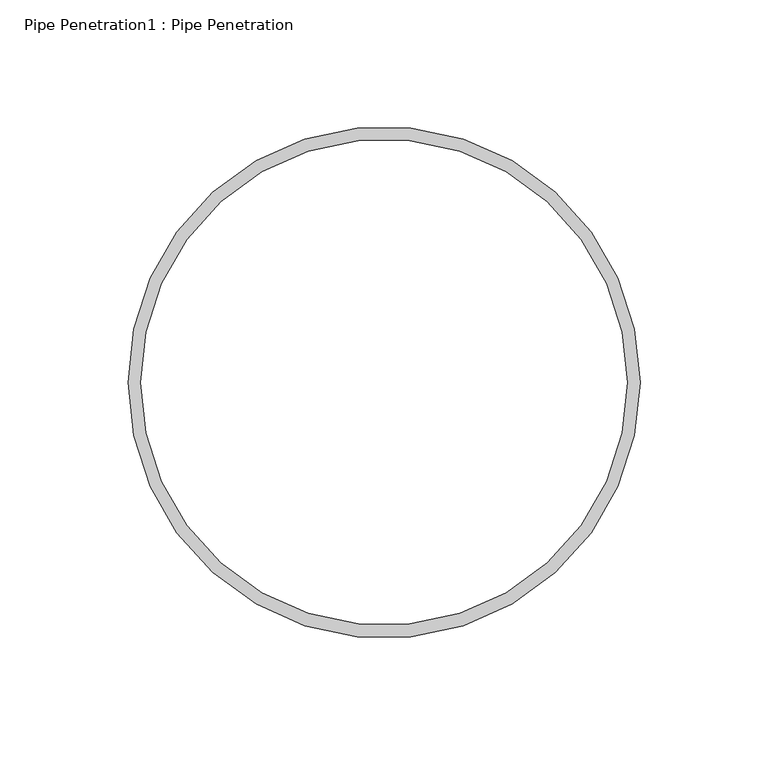
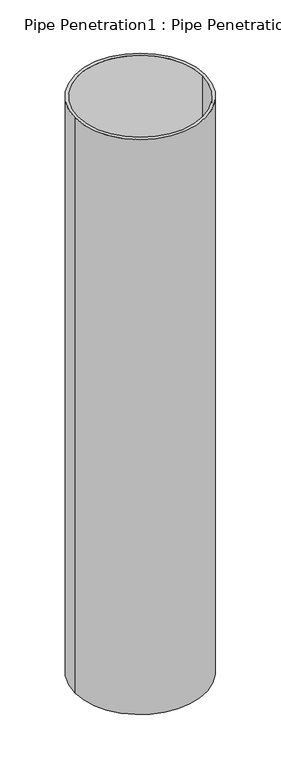
"""IFC4 building model written with IfcOpenShell, lengths in millimetres: furniture geometry, Pipe Penetration1 : Pipe Penetration."""

from ifc_helpers import new_model, si_unit, point, frame, frame_2d, origin, place, context, project, spatial, circle_curve, trimmed, segment, composite_curve, outline, extrude, source, transform, mapped, element, save


def pipe_penetration1_pipe_penetration_ace1f3d2(model_context):
    return source(origin(), model_context, "Body", "SweptSolid", [
        extrude(outline(composite_curve([segment(trimmed(circle_curve(frame_2d((4363.6885405, 3896.25)), 100.0), [point((4263.6885405, 3896.25))], [point((4463.6885405, 3896.25))], False, "CARTESIAN"), True, "CONTINUOUS"), segment(trimmed(circle_curve(frame_2d((4363.6885405, 3896.25)), 100.0), [point((4463.6885405, 3896.25))], [point((4263.6885405, 3896.25))], False, "CARTESIAN"), True, "CONTINUOUS")], self_intersect=False), holes=[composite_curve([segment(trimmed(circle_curve(frame_2d((4363.6885405, 3896.25)), 95.0), [point((4268.6885405, 3896.25))], [point((4458.6885405, 3896.25))], True, "CARTESIAN"), True, "CONTINUOUS"), segment(trimmed(circle_curve(frame_2d((4363.6885405, 3896.25)), 95.0), [point((4458.6885405, 3896.25))], [point((4268.6885405, 3896.25))], True, "CARTESIAN"), True, "CONTINUOUS")], self_intersect=False)]), frame((0.0, 0.0, 5644.9260593), z_axis=(0.0, 0.0, 1.0), x_axis=(1.0, 0.0, 0.0)), (0.0, 0.0, 1.0), 932.9962792),
    ])


if __name__ == "__main__":
    model = new_model("IFC4")
    model_context = context("Model", 3, world=origin())
    ifc_project = project(units=[si_unit("LENGTHUNIT", "METRE", prefix="MILLI")], contexts=[model_context])
    site = spatial("IfcSite", under=ifc_project)
    building = spatial("IfcBuilding", under=site)
    placement = place(None, origin())
    pipe_penetration1_pipe_penetration_shape = pipe_penetration1_pipe_penetration_ace1f3d2(model_context)
    element("IfcFurniture", 1, ObjectType="Pipe Penetration1 : Pipe Penetration", at=placement, inside=building, context=model_context, shape_type="MappedRepresentation", body=[
        mapped(pipe_penetration1_pipe_penetration_shape, transform((0.0, 0.0, 0.0), x_axis=(1.0, 0.0, 0.0), y_axis=(0.0, 1.0, 0.0), z_axis=(0.0, 0.0, 1.0))),
    ])
    save(model, "model.ifc")
